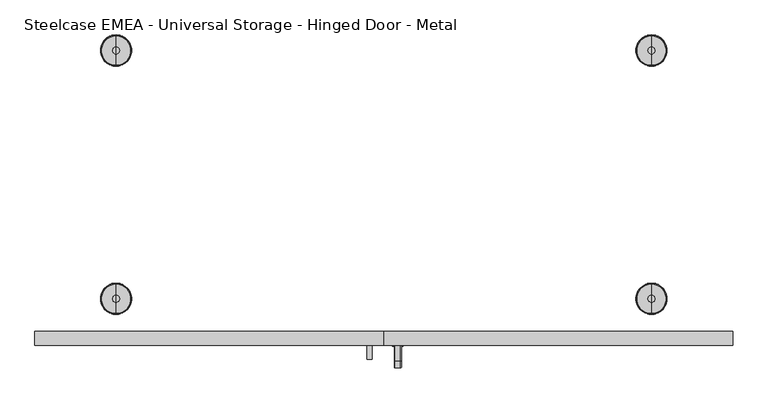
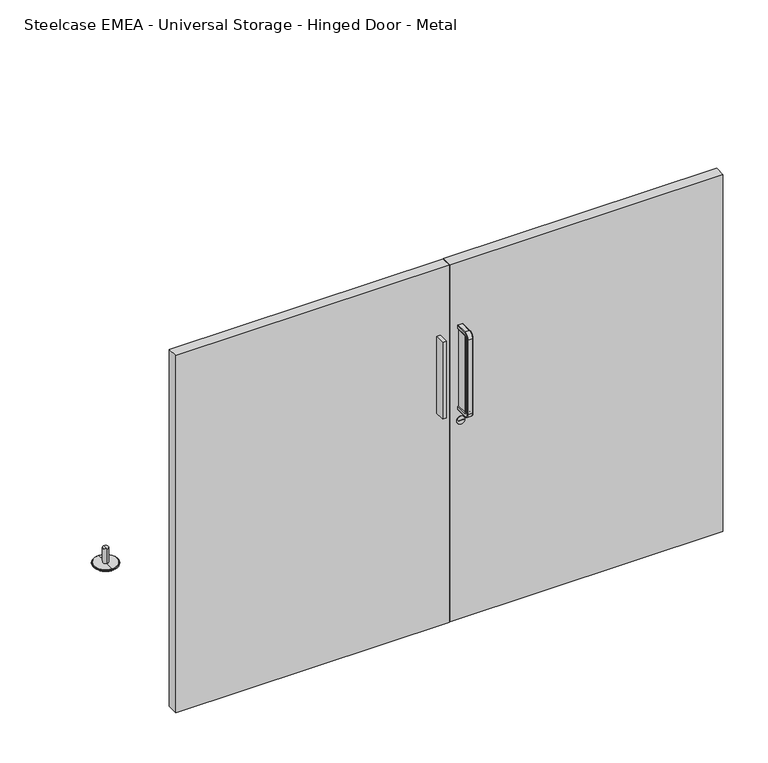
"""IFC4 building model written with IfcOpenShell, lengths in millimetres: furniture geometry, Steelcase EMEA - Universal Storage - Hinged Door - Metal."""

from ifc_helpers import new_model, si_unit, point, frame, frame_2d, origin, place, context, project, spatial, polyline, circle_curve, ellipse_curve, trimmed, segment, composite_curve, outline, extrude, source, transform, mapped, element, save
from ifc_brep_helpers import plane_surface, cylinder_surface, revolved_surface, advanced_brep


def steelcase_emea_universal_storage_hinged_door_metal_1018f40d(model_context):
    return source(origin(), model_context, "Body", "SolidModel", [
        extrude(outline(polyline([(23.7, -245.0), (23.7, -265.0318401), (16.7, -265.0318401), (16.7, -245.0), (23.7, -245.0)])), frame((0.0, 0.0, 422.8885036), z_axis=(0.0, 0.0, 1.0), x_axis=(1.0, 0.0, 0.0)), (0.0, 0.0, 1.0), 148.0614964),
        advanced_brep(
        [(17.2414116, -245.0, 570.95), (15.2414116, -245.0, 572.95), (15.2414116, -245.0, 577.9674524), (16.2412593, -245.0, 578.95), (24.1587407, -245.0, 578.95), (25.1585884, -245.0, 577.9674524), (25.1585884, -245.0, 572.95), (23.1585884, -245.0, 570.95), (23.1585884, -267.0318401, 570.95), (17.2414116, -267.0318401, 570.95), (24.1587407, -267.0318401, 578.95), (25.1585884, -267.0318401, 577.9674524), (16.2412593, -267.0318401, 578.95), (15.2414116, -267.0318401, 577.9674524), (17.2414116, -269.0318401, 568.95), (23.1585884, -269.0318401, 568.95), (25.1585884, -276.0492925, 568.95), (24.1587407, -277.0318401, 568.95), (16.2412593, -277.0318401, 568.95), (15.2414116, -276.0492925, 568.95), (23.1585884, -269.0318401, 424.8885036), (17.2414116, -269.0318401, 424.8885036), (24.1587407, -277.0318401, 424.8885036), (25.1585884, -276.0492925, 424.8885036), (16.2412593, -277.0318401, 424.8885036), (15.2414116, -276.0492925, 424.8885036), (17.2414116, -267.0318401, 422.8885036), (23.1585884, -267.0318401, 422.8885036), (25.1585884, -267.0318401, 415.8710512), (24.1587407, -267.0318401, 414.8885036), (16.2412593, -267.0318401, 414.8885036), (15.2414116, -267.0318401, 415.8710512), (17.2414116, -245.0, 422.8885036), (23.1585884, -245.0, 422.8885036), (25.1585884, -245.0, 420.8885036), (25.1585884, -245.0, 415.8710512), (24.1587407, -245.0, 414.8885036), (16.2412593, -245.0, 414.8885036), (15.2414116, -245.0, 415.8710512), (15.2414116, -245.0, 420.8885036), (25.1585884, -267.0318401, 572.95), (25.1585884, -267.0318401, 420.8885036), (25.1585884, -271.0318401, 424.8885036), (25.1585884, -271.0318401, 568.95), (15.2414116, -267.0318401, 572.95), (15.2414116, -271.0318401, 568.95), (15.2414116, -271.0318401, 424.8885036), (15.2414116, -267.0318401, 420.8885036)],
        [
            (0, 1, circle_curve(frame((17.2414116, -245.0, 572.95), z_axis=(0.0, 1.0, 0.0), x_axis=(1.0, 0.0, 0.0)), 2.0)),
            (1, 2),
            (2, 3, circle_curve(frame((16.2412593, -245.0, 577.95), z_axis=(0.0, 1.0, 0.0), x_axis=(1.0, 0.0, 0.0)), 1.0)),
            (3, 4),
            (4, 5, circle_curve(frame((24.1587407, -245.0, 577.95), z_axis=(0.0, 1.0, 0.0), x_axis=(1.0, 0.0, 0.0)), 1.0)),
            (5, 6),
            (6, 7, circle_curve(frame((23.1585884, -245.0, 572.95), z_axis=(0.0, 1.0, 0.0), x_axis=(1.0, 0.0, 0.0)), 2.0)),
            (7, 0),
            (7, 8),
            (8, 9),
            (9, 0),
            (4, 10),
            (10, 11, circle_curve(frame((24.1587407, -267.0318401, 577.95), z_axis=(0.0, 1.0, 0.0), x_axis=(1.0, 0.0, 0.0)), 1.0)),
            (11, 5),
            (3, 12),
            (12, 10),
            (2, 13),
            (13, 12, circle_curve(frame((16.2412593, -267.0318401, 577.95), z_axis=(0.0, 1.0, 0.0), x_axis=(1.0, 0.0, 0.0)), 1.0)),
            (14, 9, circle_curve(frame((17.2414116, -267.0318401, 568.95), z_axis=(-1.0, 0.0, 0.0), x_axis=(0.0, 0.0, 1.0)), 2.0)),
            (8, 15, circle_curve(frame((23.1585884, -267.0318401, 568.95), z_axis=(1.0, 0.0, 0.0), x_axis=(0.0, 0.0, 1.0)), 2.0)),
            (15, 14),
            (16, 11, circle_curve(frame((25.1585884, -267.0318401, 568.95), z_axis=(-1.0, 0.0, 0.0), x_axis=(0.0, 0.0, 1.0)), 9.0174524)),
            (10, 17, circle_curve(frame((24.1587407, -267.0318401, 568.95), z_axis=(1.0, 0.0, 0.0), x_axis=(0.0, 0.0, 1.0)), 10.0)),
            (17, 16, circle_curve(frame((24.1587407, -276.0318401, 568.95), z_axis=(0.0, 0.0, 1.0), x_axis=(1.0, 0.0, 0.0)), 1.0)),
            (12, 18, circle_curve(frame((16.2412593, -267.0318401, 568.95), z_axis=(1.0, 0.0, 0.0), x_axis=(0.0, 0.0, 1.0)), 10.0)),
            (18, 17),
            (13, 19, circle_curve(frame((15.2414116, -267.0318401, 568.95), z_axis=(1.0, 0.0, 0.0), x_axis=(0.0, 0.0, 1.0)), 9.0174524)),
            (19, 18, circle_curve(frame((16.2412593, -276.0318401, 568.95), z_axis=(0.0, 0.0, 1.0), x_axis=(1.0, 0.0, 0.0)), 1.0)),
            (15, 20),
            (20, 21),
            (21, 14),
            (17, 22),
            (22, 23, circle_curve(frame((24.1587407, -276.0318401, 424.8885036), z_axis=(0.0, 0.0, 1.0), x_axis=(1.0, 0.0, 0.0)), 1.0)),
            (23, 16),
            (18, 24),
            (24, 22),
            (19, 25),
            (25, 24, circle_curve(frame((16.2412593, -276.0318401, 424.8885036), z_axis=(0.0, 0.0, 1.0), x_axis=(1.0, 0.0, 0.0)), 1.0)),
            (26, 21, circle_curve(frame((17.2414116, -267.0318401, 424.8885036), z_axis=(-1.0, 0.0, 0.0), x_axis=(0.0, -1.0, 0.0)), 2.0)),
            (20, 27, circle_curve(frame((23.1585884, -267.0318401, 424.8885036), z_axis=(1.0, 0.0, 0.0), x_axis=(0.0, -1.0, 0.0)), 2.0)),
            (27, 26),
            (28, 23, circle_curve(frame((25.1585884, -267.0318401, 424.8885036), z_axis=(-1.0, 0.0, 0.0), x_axis=(0.0, -1.0, 0.0)), 9.0174524)),
            (22, 29, circle_curve(frame((24.1587407, -267.0318401, 424.8885036), z_axis=(1.0, 0.0, 0.0), x_axis=(0.0, -1.0, 0.0)), 10.0)),
            (29, 28, circle_curve(frame((24.1587407, -267.0318401, 415.8885036), z_axis=(0.0, -1.0, 0.0), x_axis=(1.0, 0.0, 0.0)), 1.0)),
            (24, 30, circle_curve(frame((16.2412593, -267.0318401, 424.8885036), z_axis=(1.0, 0.0, 0.0), x_axis=(0.0, -1.0, 0.0)), 10.0)),
            (30, 29),
            (25, 31, circle_curve(frame((15.2414116, -267.0318401, 424.8885036), z_axis=(1.0, 0.0, 0.0), x_axis=(0.0, -1.0, 0.0)), 9.0174524)),
            (31, 30, circle_curve(frame((16.2412593, -267.0318401, 415.8885036), z_axis=(0.0, -1.0, 0.0), x_axis=(1.0, 0.0, 0.0)), 1.0)),
            (32, 33),
            (33, 34, circle_curve(frame((23.1585884, -245.0, 420.8885036), z_axis=(0.0, 1.0, 0.0), x_axis=(1.0, 0.0, 0.0)), 2.0)),
            (34, 35),
            (35, 36, circle_curve(frame((24.1587407, -245.0, 415.8885036), z_axis=(0.0, 1.0, 0.0), x_axis=(1.0, 0.0, 0.0)), 1.0)),
            (36, 37),
            (37, 38, circle_curve(frame((16.2412593, -245.0, 415.8885036), z_axis=(0.0, 1.0, 0.0), x_axis=(1.0, 0.0, 0.0)), 1.0)),
            (38, 39),
            (39, 32, circle_curve(frame((17.2414116, -245.0, 420.8885036), z_axis=(0.0, 1.0, 0.0), x_axis=(1.0, 0.0, 0.0)), 2.0)),
            (27, 33),
            (32, 26),
            (29, 36),
            (35, 28),
            (30, 37),
            (31, 38),
            (6, 40),
            (40, 8, circle_curve(frame((23.1585884, -267.0318401, 572.95), z_axis=(0.0, 1.0, 0.0), x_axis=(1.0, 0.0, 0.0)), 2.0)),
            (34, 41),
            (41, 42, circle_curve(frame((25.1585884, -267.0318401, 424.8885036), z_axis=(-1.0, 0.0, 0.0), x_axis=(0.0, -1.0, 0.0)), 4.0)),
            (42, 43),
            (43, 40, circle_curve(frame((25.1585884, -267.0318401, 568.95), z_axis=(-1.0, 0.0, 0.0), x_axis=(0.0, 0.0, 1.0)), 4.0)),
            (1, 44),
            (44, 45, circle_curve(frame((15.2414116, -267.0318401, 568.95), z_axis=(1.0, 0.0, 0.0), x_axis=(0.0, 0.0, 1.0)), 4.0)),
            (45, 46),
            (46, 47, circle_curve(frame((15.2414116, -267.0318401, 424.8885036), z_axis=(1.0, 0.0, 0.0), x_axis=(0.0, -1.0, 0.0)), 4.0)),
            (47, 39),
            (9, 44, circle_curve(frame((17.2414116, -267.0318401, 572.95), z_axis=(0.0, 1.0, 0.0), x_axis=(1.0, 0.0, 0.0)), 2.0)),
            (43, 15, circle_curve(frame((23.1585884, -271.0318401, 568.95), z_axis=(0.0, 0.0, 1.0), x_axis=(1.0, 0.0, 0.0)), 2.0)),
            (14, 45, circle_curve(frame((17.2414116, -271.0318401, 568.95), z_axis=(0.0, 0.0, 1.0), x_axis=(1.0, 0.0, 0.0)), 2.0)),
            (42, 20, circle_curve(frame((23.1585884, -271.0318401, 424.8885036), z_axis=(0.0, 0.0, 1.0), x_axis=(1.0, 0.0, 0.0)), 2.0)),
            (21, 46, circle_curve(frame((17.2414116, -271.0318401, 424.8885036), z_axis=(0.0, 0.0, 1.0), x_axis=(1.0, 0.0, 0.0)), 2.0)),
            (41, 27, circle_curve(frame((23.1585884, -267.0318401, 420.8885036), z_axis=(0.0, -1.0, 0.0), x_axis=(1.0, 0.0, 0.0)), 2.0)),
            (26, 47, circle_curve(frame((17.2414116, -267.0318401, 420.8885036), z_axis=(0.0, -1.0, 0.0), x_axis=(1.0, 0.0, 0.0)), 2.0)),
        ],
        [
            plane_surface(frame((20.2, -245.0, 570.95), z_axis=(0.0, 1.0, 0.0), x_axis=(1.0, 0.0, 0.0))),
            plane_surface(frame((23.1585884, -245.0, 570.95), z_axis=(0.0, 0.0, -1.0), x_axis=(0.0, -1.0, 0.0))),
            cylinder_surface(frame((24.1587407, -245.0, 577.95), z_axis=(0.0, 1.0, 0.0), x_axis=(1.0, 0.0, 0.0)), 1.0),
            plane_surface(frame((16.2412593, -245.0, 578.95), z_axis=(0.0, 0.0, 1.0), x_axis=(0.0, -1.0, 0.0))),
            cylinder_surface(frame((16.2412593, -245.0, 577.95), z_axis=(0.0, 1.0, 0.0), x_axis=(1.0, 0.0, 0.0)), 1.0),
            revolved_surface(polyline([(23.1585884, -267.0318401, 570.95), (17.2414116, -267.0318401, 570.95)]), (20.2, -267.0318401, 568.95), (1.0, 0.0, 0.0)),
            revolved_surface(trimmed(ellipse_curve(frame((24.1587407, -267.0318401, 577.95), z_axis=(0.0, 1.0, 0.0), x_axis=(1.0, 0.0, 0.0)), 1.0, 1.0), [point((24.1587407, -267.0318401, 578.95))], [point((25.1585884, -267.0318401, 577.9674524))], True, "CARTESIAN"), (20.2, -267.0318401, 568.95), (1.0, 0.0, 0.0)),
            cylinder_surface(frame((20.2, -267.0318401, 568.95), z_axis=(1.0, 0.0, 0.0), x_axis=(0.0, 0.0, 1.0)), 10.0),
            revolved_surface(trimmed(ellipse_curve(frame((16.2412593, -267.0318401, 577.95), z_axis=(0.0, 1.0, 0.0), x_axis=(1.0, 0.0, 0.0)), 1.0, 1.0), [point((15.2414116, -267.0318401, 577.9674524))], [point((16.2412593, -267.0318401, 578.95))], True, "CARTESIAN"), (20.2, -267.0318401, 568.95), (1.0, 0.0, 0.0)),
            plane_surface(frame((23.1585884, -269.0318401, 568.95), z_axis=(0.0, 1.0, 0.0), x_axis=(0.0, 0.0, -1.0))),
            cylinder_surface(frame((24.1587407, -276.0318401, 568.95), z_axis=(0.0, 0.0, 1.0), x_axis=(1.0, 0.0, 0.0)), 1.0),
            plane_surface(frame((16.2412593, -277.0318401, 568.95), z_axis=(0.0, -1.0, 0.0), x_axis=(0.0, 0.0, -1.0))),
            cylinder_surface(frame((16.2412593, -276.0318401, 568.95), z_axis=(0.0, 0.0, 1.0), x_axis=(1.0, 0.0, 0.0)), 1.0),
            revolved_surface(polyline([(23.1585884, -269.0318401, 424.8885036), (17.2414116, -269.0318401, 424.8885036)]), (20.2, -267.0318401, 424.8885036), (1.0, 0.0, 0.0)),
            revolved_surface(trimmed(ellipse_curve(frame((24.1587407, -276.0318401, 424.8885036), z_axis=(0.0, 0.0, 1.0), x_axis=(1.0, 0.0, 0.0)), 1.0, 1.0), [point((24.1587407, -277.0318401, 424.8885036))], [point((25.1585884, -276.0492925, 424.8885036))], True, "CARTESIAN"), (20.2, -267.0318401, 424.8885036), (1.0, 0.0, 0.0)),
            cylinder_surface(frame((20.2, -267.0318401, 424.8885036), z_axis=(1.0, 0.0, 0.0), x_axis=(0.0, -1.0, 0.0)), 10.0),
            revolved_surface(trimmed(ellipse_curve(frame((16.2412593, -276.0318401, 424.8885036), z_axis=(0.0, 0.0, 1.0), x_axis=(1.0, 0.0, 0.0)), 1.0, 1.0), [point((15.2414116, -276.0492925, 424.8885036))], [point((16.2412593, -277.0318401, 424.8885036))], True, "CARTESIAN"), (20.2, -267.0318401, 424.8885036), (1.0, 0.0, 0.0)),
            plane_surface(frame((20.2, -245.0, 422.8885036), z_axis=(0.0, 1.0, 0.0), x_axis=(1.0, 0.0, 0.0))),
            plane_surface(frame((23.1585884, -267.0318401, 422.8885036), z_axis=(0.0, 0.0, 1.0), x_axis=(0.0, 1.0, 0.0))),
            cylinder_surface(frame((24.1587407, -267.0318401, 415.8885036), z_axis=(0.0, -1.0, 0.0), x_axis=(1.0, 0.0, 0.0)), 1.0),
            plane_surface(frame((16.2412593, -267.0318401, 414.8885036), z_axis=(0.0, 0.0, -1.0), x_axis=(0.0, 1.0, 0.0))),
            cylinder_surface(frame((16.2412593, -267.0318401, 415.8885036), z_axis=(0.0, -1.0, 0.0), x_axis=(1.0, 0.0, 0.0)), 1.0),
            cylinder_surface(frame((23.1585884, -245.0, 572.95), z_axis=(0.0, 1.0, 0.0), x_axis=(1.0, 0.0, 0.0)), 2.0),
            plane_surface(frame((25.1585884, -245.0, 577.9674524), z_axis=(1.0, 0.0, 0.0), x_axis=(0.0, -1.0, 0.0))),
            plane_surface(frame((15.2414116, -245.0, 572.95), z_axis=(-1.0, 0.0, 0.0), x_axis=(0.0, -1.0, 0.0))),
            cylinder_surface(frame((17.2414116, -245.0, 572.95), z_axis=(0.0, 1.0, 0.0), x_axis=(1.0, 0.0, 0.0)), 2.0),
            revolved_surface(trimmed(ellipse_curve(frame((23.1585884, -267.0318401, 572.95), z_axis=(0.0, 1.0, 0.0), x_axis=(1.0, 0.0, 0.0)), 2.0, 2.0), [point((25.1585884, -267.0318401, 572.95))], [point((23.1585884, -267.0318401, 570.95))], True, "CARTESIAN"), (20.2, -267.0318401, 568.95), (1.0, 0.0, 0.0)),
            revolved_surface(trimmed(ellipse_curve(frame((17.2414116, -267.0318401, 572.95), z_axis=(0.0, 1.0, 0.0), x_axis=(1.0, 0.0, 0.0)), 2.0, 2.0), [point((17.2414116, -267.0318401, 570.95))], [point((15.2414116, -267.0318401, 572.95))], True, "CARTESIAN"), (20.2, -267.0318401, 568.95), (1.0, 0.0, 0.0)),
            cylinder_surface(frame((23.1585884, -271.0318401, 568.95), z_axis=(0.0, 0.0, 1.0), x_axis=(1.0, 0.0, 0.0)), 2.0),
            cylinder_surface(frame((17.2414116, -271.0318401, 568.95), z_axis=(0.0, 0.0, 1.0), x_axis=(1.0, 0.0, 0.0)), 2.0),
            revolved_surface(trimmed(ellipse_curve(frame((23.1585884, -271.0318401, 424.8885036), z_axis=(0.0, 0.0, 1.0), x_axis=(1.0, 0.0, 0.0)), 2.0, 2.0), [point((25.1585884, -271.0318401, 424.8885036))], [point((23.1585884, -269.0318401, 424.8885036))], True, "CARTESIAN"), (20.2, -267.0318401, 424.8885036), (1.0, 0.0, 0.0)),
            revolved_surface(trimmed(ellipse_curve(frame((17.2414116, -271.0318401, 424.8885036), z_axis=(0.0, 0.0, 1.0), x_axis=(1.0, 0.0, 0.0)), 2.0, 2.0), [point((17.2414116, -269.0318401, 424.8885036))], [point((15.2414116, -271.0318401, 424.8885036))], True, "CARTESIAN"), (20.2, -267.0318401, 424.8885036), (1.0, 0.0, 0.0)),
            cylinder_surface(frame((23.1585884, -267.0318401, 420.8885036), z_axis=(0.0, -1.0, 0.0), x_axis=(1.0, 0.0, 0.0)), 2.0),
            cylinder_surface(frame((17.2414116, -267.0318401, 420.8885036), z_axis=(0.0, -1.0, 0.0), x_axis=(1.0, 0.0, 0.0)), 2.0),
        ],
        [
            (0, [[1, 2, 3, 4, 5, 6, 7, 8]]),
            (1, [[-8, 9, 10, 11]]),
            (2, [[-5, 12, 13, 14]]),
            (3, [[-4, 15, 16, -12]]),
            (4, [[-3, 17, 18, -15]]),
            (5, [[19, -10, 20, 21]]),
            (6, [[22, -13, 23, 24]]),
            (7, [[-23, -16, 25, 26]]),
            (8, [[-25, -18, 27, 28]]),
            (9, [[-21, 29, 30, 31]]),
            (10, [[-24, 32, 33, 34]]),
            (11, [[-26, 35, 36, -32]]),
            (12, [[-28, 37, 38, -35]]),
            (13, [[39, -30, 40, 41]]),
            (14, [[42, -33, 43, 44]]),
            (15, [[-43, -36, 45, 46]]),
            (16, [[-45, -38, 47, 48]]),
            (17, [[49, 50, 51, 52, 53, 54, 55, 56]]),
            (18, [[-41, 57, -49, 58]]),
            (19, [[-44, 59, -52, 60]]),
            (20, [[-46, 61, -53, -59]]),
            (21, [[-48, 62, -54, -61]]),
            (22, [[-7, 63, 64, -9]]),
            (23, [[-6, -14, -22, -34, -42, -60, -51, 65, 66, 67, 68, -63]]),
            (24, [[-2, 69, 70, 71, 72, 73, -55, -62, -47, -37, -27, -17]]),
            (25, [[-1, -11, 74, -69]]),
            (26, [[-20, -64, -68, 75]]),
            (27, [[-70, -74, -19, 76]]),
            (28, [[-75, -67, 77, -29]]),
            (29, [[-76, -31, 78, -71]]),
            (30, [[-40, -77, -66, 79]]),
            (31, [[-72, -78, -39, 80]]),
            (32, [[-79, -65, -50, -57]]),
            (33, [[-80, -58, -56, -73]]),
        ],
    ),
        extrude(outline(polyline([(-0.5, -245.0), (-500.0, -245.0), (-500.0, -225.0), (-0.5, -225.0), (-0.5, -245.0)])), frame((0.0, 0.0, 10.0), z_axis=(0.0, 0.0, 1.0), x_axis=(1.0, 0.0, 0.0)), (0.0, 0.0, 1.0), 690.0),
        extrude(outline(polyline([(500.0, -245.0), (0.5, -245.0), (0.5, -225.0), (500.0, -225.0), (500.0, -245.0)])), frame((0.0, 0.0, 10.0), z_axis=(0.0, 0.0, 1.0), x_axis=(1.0, 0.0, 0.0)), (0.0, 0.0, 1.0), 690.0),
        extrude(outline(composite_curve([segment(trimmed(circle_curve(frame_2d((394.3885036, 20.2)), 7.5), [point((394.3885036, 12.7))], [point((394.3885036, 27.7))], False, "CARTESIAN"), True, "CONTINUOUS"), segment(trimmed(circle_curve(frame_2d((394.3885036, 20.2)), 7.5), [point((394.3885036, 27.7))], [point((394.3885036, 12.7))], False, "CARTESIAN"), True, "CONTINUOUS")], self_intersect=False), holes=[polyline([(393.9885036, 15.1664282), (394.7885036, 15.1664282), (394.7885036, 25.2335718), (393.9885036, 25.2335718), (393.9885036, 15.1664282)])]), frame((0.0, -246.5, 0.0), z_axis=(0.0, 1.0, 0.0), x_axis=(0.0, 0.0, 1.0)), (0.0, 0.0, 1.0), 1.5),
        advanced_brep(
        [(383.7470237, -177.9975958, 32.5397656), (383.7470237, -172.9975958, 32.5397656), (383.7470237, -182.9975958, 32.5397656), (383.7470237, -196.9727531, 0.0), (383.7470237, -159.0224385, 0.0), (383.7470237, -177.9975958, 0.0), (383.7470237, -198.74052, 0.732233), (383.7470237, -157.2546716, 0.732233), (383.7470237, -200.2351744, 2.2268875), (383.7470237, -155.7600172, 2.2268875), (383.7470237, -200.2351744, 2.9339942), (383.7470237, -155.7600172, 2.9339942), (383.7470237, -199.1691687, 4.0), (383.7470237, -156.8260229, 4.0), (383.7470237, -182.9975958, 4.0), (383.7470237, -172.9975958, 4.0)],
        [
            (0, 1),
            (1, 2, circle_curve(frame((383.7470237, -177.9975958, 32.5397656), z_axis=(0.0, 0.0, 1.0), x_axis=(0.0, 1.0, 0.0)), 5.0)),
            (2, 0),
            (2, 1, circle_curve(frame((383.7470237, -177.9975958, 32.5397656), z_axis=(0.0, 0.0, 1.0), x_axis=(0.0, 1.0, 0.0)), 5.0)),
            (3, 4, circle_curve(frame((383.7470237, -177.9975958, 0.0), z_axis=(0.0, 0.0, -1.0), x_axis=(0.0, 1.0, 0.0)), 18.9751573)),
            (4, 5),
            (5, 3),
            (4, 3, circle_curve(frame((383.7470237, -177.9975958, 0.0), z_axis=(0.0, 0.0, -1.0), x_axis=(0.0, 1.0, 0.0)), 18.9751573)),
            (6, 7, circle_curve(frame((383.7470237, -177.9975958, 0.732233), z_axis=(0.0, 0.0, -1.0), x_axis=(0.0, 1.0, 0.0)), 20.7429242)),
            (7, 4, circle_curve(frame((383.7470237, -159.0224385, 2.5), z_axis=(-1.0, 0.0, 0.0), x_axis=(0.0, -1.0, 0.0)), 2.5)),
            (3, 6, circle_curve(frame((383.7470237, -196.9727531, 2.5), z_axis=(-1.0, 0.0, 0.0), x_axis=(0.0, 1.0, 0.0)), 2.5)),
            (7, 6, circle_curve(frame((383.7470237, -177.9975958, 0.732233), z_axis=(0.0, 0.0, -1.0), x_axis=(0.0, 1.0, 0.0)), 20.7429242)),
            (8, 9, circle_curve(frame((383.7470237, -177.9975958, 2.2268875), z_axis=(0.0, 0.0, -1.0), x_axis=(0.0, 1.0, 0.0)), 22.2375786)),
            (9, 7),
            (6, 8),
            (9, 8, circle_curve(frame((383.7470237, -177.9975958, 2.2268875), z_axis=(0.0, 0.0, -1.0), x_axis=(0.0, 1.0, 0.0)), 22.2375786)),
            (10, 11, circle_curve(frame((383.7470237, -177.9975958, 2.9339942), z_axis=(0.0, 0.0, -1.0), x_axis=(0.0, 1.0, 0.0)), 22.2375786)),
            (11, 9, circle_curve(frame((383.7470237, -156.1135706, 2.5804409), z_axis=(-1.0, 0.0, 0.0), x_axis=(0.0, -1.0, 0.0)), 0.5)),
            (8, 10, circle_curve(frame((383.7470237, -199.881621, 2.5804409), z_axis=(-1.0, 0.0, 0.0), x_axis=(0.0, 1.0, 0.0)), 0.5)),
            (11, 10, circle_curve(frame((383.7470237, -177.9975958, 2.9339942), z_axis=(0.0, 0.0, -1.0), x_axis=(0.0, 1.0, 0.0)), 22.2375786)),
            (12, 13, circle_curve(frame((383.7470237, -177.9975958, 4.0), z_axis=(0.0, 0.0, -1.0), x_axis=(0.0, 1.0, 0.0)), 21.1715729)),
            (13, 11),
            (10, 12),
            (13, 12, circle_curve(frame((383.7470237, -177.9975958, 4.0), z_axis=(0.0, 0.0, -1.0), x_axis=(0.0, 1.0, 0.0)), 21.1715729)),
            (14, 15, circle_curve(frame((383.7470237, -177.9975958, 4.0), z_axis=(0.0, 0.0, -1.0), x_axis=(0.0, 1.0, 0.0)), 5.0)),
            (15, 13),
            (12, 14),
            (15, 14, circle_curve(frame((383.7470237, -177.9975958, 4.0), z_axis=(0.0, 0.0, -1.0), x_axis=(0.0, 1.0, 0.0)), 5.0)),
            (1, 15),
            (14, 2),
        ],
        [
            plane_surface(frame((383.7470237, -177.9975958, 32.5397656), z_axis=(0.0, 0.0, 1.0), x_axis=(0.0, 1.0, 0.0))),
            plane_surface(frame((383.7470237, -177.9975958, 0.0), z_axis=(0.0, 0.0, -1.0), x_axis=(0.0, 1.0, 0.0))),
            revolved_surface(trimmed(ellipse_curve(frame((383.7470237, -159.0224385, 2.5), z_axis=(1.0, 0.0, 0.0), x_axis=(0.0, -1.0, 0.0)), 2.5, 2.5), [point((383.7470237, -159.0224385, 0.0))], [point((383.7470237, -157.2546716, 0.732233))], True, "CARTESIAN"), (383.7470237, -177.9975958, 32.5397656), (0.0, 0.0, 1.0)),
            revolved_surface(polyline([(383.7470237, -157.2546716, 0.732233), (383.7470237, -155.7600172, 2.2268875)]), (383.7470237, -177.9975958, 32.5397656), (0.0, 0.0, 1.0)),
            revolved_surface(trimmed(ellipse_curve(frame((383.7470237, -156.1135706, 2.5804409), z_axis=(1.0, 0.0, 0.0), x_axis=(0.0, -1.0, 0.0)), 0.5, 0.5), [point((383.7470237, -155.7600172, 2.2268875))], [point((383.7470237, -155.7600172, 2.9339942))], True, "CARTESIAN"), (383.7470237, -177.9975958, 32.5397656), (0.0, 0.0, 1.0)),
            revolved_surface(polyline([(383.7470237, -155.7600172, 2.9339942), (383.7470237, -156.8260229, 4.0)]), (383.7470237, -177.9975958, 32.5397656), (0.0, 0.0, 1.0)),
            plane_surface(frame((383.7470237, -177.9975958, 4.0), z_axis=(0.0, 0.0, 1.0), x_axis=(0.0, 1.0, 0.0))),
            cylinder_surface(frame((383.7470237, -177.9975958, 32.5397656), z_axis=(0.0, 0.0, 1.0), x_axis=(0.0, 1.0, 0.0)), 5.0),
        ],
        [
            (0, [[1, 2, 3]]),
            (0, [[-3, 4, -1]]),
            (1, [[5, 6, 7]]),
            (1, [[8, -7, -6]]),
            (2, [[9, 10, -5, 11]]),
            (2, [[12, -11, -8, -10]]),
            (3, [[13, 14, -9, 15]]),
            (3, [[16, -15, -12, -14]]),
            (4, [[17, 18, -13, 19]]),
            (4, [[20, -19, -16, -18]]),
            (5, [[21, 22, -17, 23]]),
            (5, [[24, -23, -20, -22]]),
            (6, [[25, 26, -21, 27]]),
            (6, [[28, -27, -24, -26]]),
            (7, [[-2, 29, -25, 30]]),
            (7, [[-4, -30, -28, -29]]),
        ],
    ),
        advanced_brep(
        [(383.7470237, 182.9975958, 32.5397656), (383.7470237, 172.9975958, 32.5397656), (383.7470237, 177.9975958, 32.5397656), (383.7470237, 177.9975958, 0.0), (383.7470237, 159.0224385, 0.0), (383.7470237, 196.9727531, 0.0), (383.7470237, 157.2546716, 0.732233), (383.7470237, 198.74052, 0.732233), (383.7470237, 155.7600172, 2.2268875), (383.7470237, 200.2351744, 2.2268875), (383.7470237, 155.7600172, 2.9339942), (383.7470237, 200.2351744, 2.9339942), (383.7470237, 156.8260229, 4.0), (383.7470237, 199.1691687, 4.0), (383.7470237, 172.9975958, 4.0), (383.7470237, 182.9975958, 4.0)],
        [
            (0, 1, circle_curve(frame((383.7470237, 177.9975958, 32.5397656), z_axis=(0.0, 0.0, 1.0), x_axis=(0.0, -1.0, 0.0)), 5.0)),
            (1, 2),
            (2, 0),
            (1, 0, circle_curve(frame((383.7470237, 177.9975958, 32.5397656), z_axis=(0.0, 0.0, 1.0), x_axis=(0.0, -1.0, 0.0)), 5.0)),
            (3, 4),
            (4, 5, circle_curve(frame((383.7470237, 177.9975958, 0.0), z_axis=(0.0, 0.0, -1.0), x_axis=(0.0, -1.0, 0.0)), 18.9751573)),
            (5, 3),
            (5, 4, circle_curve(frame((383.7470237, 177.9975958, 0.0), z_axis=(0.0, 0.0, -1.0), x_axis=(0.0, -1.0, 0.0)), 18.9751573)),
            (4, 6, circle_curve(frame((383.7470237, 159.0224385, 2.5), z_axis=(-1.0, 0.0, 0.0), x_axis=(0.0, -1.0, 0.0)), 2.5)),
            (6, 7, circle_curve(frame((383.7470237, 177.9975958, 0.732233), z_axis=(0.0, 0.0, -1.0), x_axis=(0.0, -1.0, 0.0)), 20.7429242)),
            (7, 5, circle_curve(frame((383.7470237, 196.9727531, 2.5), z_axis=(-1.0, 0.0, 0.0), x_axis=(0.0, 1.0, 0.0)), 2.5)),
            (7, 6, circle_curve(frame((383.7470237, 177.9975958, 0.732233), z_axis=(0.0, 0.0, -1.0), x_axis=(0.0, -1.0, 0.0)), 20.7429242)),
            (6, 8),
            (8, 9, circle_curve(frame((383.7470237, 177.9975958, 2.2268875), z_axis=(0.0, 0.0, -1.0), x_axis=(0.0, -1.0, 0.0)), 22.2375786)),
            (9, 7),
            (9, 8, circle_curve(frame((383.7470237, 177.9975958, 2.2268875), z_axis=(0.0, 0.0, -1.0), x_axis=(0.0, -1.0, 0.0)), 22.2375786)),
            (8, 10, circle_curve(frame((383.7470237, 156.1135706, 2.5804409), z_axis=(-1.0, 0.0, 0.0), x_axis=(0.0, -1.0, 0.0)), 0.5)),
            (10, 11, circle_curve(frame((383.7470237, 177.9975958, 2.9339942), z_axis=(0.0, 0.0, -1.0), x_axis=(0.0, -1.0, 0.0)), 22.2375786)),
            (11, 9, circle_curve(frame((383.7470237, 199.881621, 2.5804409), z_axis=(-1.0, 0.0, 0.0), x_axis=(0.0, 1.0, 0.0)), 0.5)),
            (11, 10, circle_curve(frame((383.7470237, 177.9975958, 2.9339942), z_axis=(0.0, 0.0, -1.0), x_axis=(0.0, -1.0, 0.0)), 22.2375786)),
            (10, 12),
            (12, 13, circle_curve(frame((383.7470237, 177.9975958, 4.0), z_axis=(0.0, 0.0, -1.0), x_axis=(0.0, -1.0, 0.0)), 21.1715729)),
            (13, 11),
            (13, 12, circle_curve(frame((383.7470237, 177.9975958, 4.0), z_axis=(0.0, 0.0, -1.0), x_axis=(0.0, -1.0, 0.0)), 21.1715729)),
            (12, 14),
            (14, 15, circle_curve(frame((383.7470237, 177.9975958, 4.0), z_axis=(0.0, 0.0, -1.0), x_axis=(0.0, -1.0, 0.0)), 5.0)),
            (15, 13),
            (15, 14, circle_curve(frame((383.7470237, 177.9975958, 4.0), z_axis=(0.0, 0.0, -1.0), x_axis=(0.0, -1.0, 0.0)), 5.0)),
            (14, 1),
            (0, 15),
        ],
        [
            plane_surface(frame((383.7470237, 177.9975958, 32.5397656), z_axis=(0.0, 0.0, 1.0), x_axis=(0.0, -1.0, 0.0))),
            plane_surface(frame((383.7470237, 177.9975958, 0.0), z_axis=(0.0, 0.0, -1.0), x_axis=(0.0, -1.0, 0.0))),
            revolved_surface(trimmed(ellipse_curve(frame((383.7470237, 159.0224385, 2.5), z_axis=(1.0, 0.0, 0.0), x_axis=(0.0, -1.0, 0.0)), 2.5, 2.5), [point((383.7470237, 157.2546716, 0.732233))], [point((383.7470237, 159.0224385, 0.0))], True, "CARTESIAN"), (383.7470237, 177.9975958, 32.5397656), (0.0, 0.0, -1.0)),
            revolved_surface(polyline([(383.7470237, 155.7600172, 2.2268875), (383.7470237, 157.2546716, 0.732233)]), (383.7470237, 177.9975958, 32.5397656), (0.0, 0.0, -1.0)),
            revolved_surface(trimmed(ellipse_curve(frame((383.7470237, 156.1135706, 2.5804409), z_axis=(1.0, 0.0, 0.0), x_axis=(0.0, -1.0, 0.0)), 0.5, 0.5), [point((383.7470237, 155.7600172, 2.9339942))], [point((383.7470237, 155.7600172, 2.2268875))], True, "CARTESIAN"), (383.7470237, 177.9975958, 32.5397656), (0.0, 0.0, -1.0)),
            revolved_surface(polyline([(383.7470237, 156.8260229, 4.0), (383.7470237, 155.7600172, 2.9339942)]), (383.7470237, 177.9975958, 32.5397656), (0.0, 0.0, -1.0)),
            plane_surface(frame((383.7470237, 177.9975958, 4.0), z_axis=(0.0, 0.0, 1.0), x_axis=(0.0, -1.0, 0.0))),
            cylinder_surface(frame((383.7470237, 177.9975958, 32.5397656), z_axis=(0.0, 0.0, -1.0), x_axis=(0.0, -1.0, 0.0)), 5.0),
        ],
        [
            (0, [[1, 2, 3]]),
            (0, [[4, -3, -2]]),
            (1, [[5, 6, 7]]),
            (1, [[-7, 8, -5]]),
            (2, [[-6, 9, 10, 11]]),
            (2, [[-8, -11, 12, -9]]),
            (3, [[-10, 13, 14, 15]]),
            (3, [[-12, -15, 16, -13]]),
            (4, [[-14, 17, 18, 19]]),
            (4, [[-16, -19, 20, -17]]),
            (5, [[-18, 21, 22, 23]]),
            (5, [[-20, -23, 24, -21]]),
            (6, [[-22, 25, 26, 27]]),
            (6, [[-24, -27, 28, -25]]),
            (7, [[-26, 29, -1, 30]]),
            (7, [[-28, -30, -4, -29]]),
        ],
    ),
        advanced_brep(
        [(-383.7470237, -182.9975958, 32.5397656), (-383.7470237, -172.9975958, 32.5397656), (-383.7470237, -177.9975958, 32.5397656), (-383.7470237, -177.9975958, 0.0), (-383.7470237, -159.0224385, 0.0), (-383.7470237, -196.9727531, 0.0), (-383.7470237, -157.2546716, 0.732233), (-383.7470237, -198.74052, 0.732233), (-383.7470237, -155.7600172, 2.2268875), (-383.7470237, -200.2351744, 2.2268875), (-383.7470237, -155.7600172, 2.9339942), (-383.7470237, -200.2351744, 2.9339942), (-383.7470237, -156.8260229, 4.0), (-383.7470237, -199.1691687, 4.0), (-383.7470237, -172.9975958, 4.0), (-383.7470237, -182.9975958, 4.0)],
        [
            (0, 1, circle_curve(frame((-383.7470237, -177.9975958, 32.5397656), z_axis=(0.0, 0.0, 1.0), x_axis=(0.0, 1.0, 0.0)), 5.0)),
            (1, 2),
            (2, 0),
            (1, 0, circle_curve(frame((-383.7470237, -177.9975958, 32.5397656), z_axis=(0.0, 0.0, 1.0), x_axis=(0.0, 1.0, 0.0)), 5.0)),
            (3, 4),
            (4, 5, circle_curve(frame((-383.7470237, -177.9975958, 0.0), z_axis=(0.0, 0.0, -1.0), x_axis=(0.0, 1.0, 0.0)), 18.9751573)),
            (5, 3),
            (5, 4, circle_curve(frame((-383.7470237, -177.9975958, 0.0), z_axis=(0.0, 0.0, -1.0), x_axis=(0.0, 1.0, 0.0)), 18.9751573)),
            (4, 6, circle_curve(frame((-383.7470237, -159.0224385, 2.5), z_axis=(1.0, 0.0, 0.0), x_axis=(0.0, 1.0, 0.0)), 2.5)),
            (6, 7, circle_curve(frame((-383.7470237, -177.9975958, 0.732233), z_axis=(0.0, 0.0, -1.0), x_axis=(0.0, 1.0, 0.0)), 20.7429242)),
            (7, 5, circle_curve(frame((-383.7470237, -196.9727531, 2.5), z_axis=(1.0, 0.0, 0.0), x_axis=(0.0, -1.0, 0.0)), 2.5)),
            (7, 6, circle_curve(frame((-383.7470237, -177.9975958, 0.732233), z_axis=(0.0, 0.0, -1.0), x_axis=(0.0, 1.0, 0.0)), 20.7429242)),
            (6, 8),
            (8, 9, circle_curve(frame((-383.7470237, -177.9975958, 2.2268875), z_axis=(0.0, 0.0, -1.0), x_axis=(0.0, 1.0, 0.0)), 22.2375786)),
            (9, 7),
            (9, 8, circle_curve(frame((-383.7470237, -177.9975958, 2.2268875), z_axis=(0.0, 0.0, -1.0), x_axis=(0.0, 1.0, 0.0)), 22.2375786)),
            (8, 10, circle_curve(frame((-383.7470237, -156.1135706, 2.5804409), z_axis=(1.0, 0.0, 0.0), x_axis=(0.0, 1.0, 0.0)), 0.5)),
            (10, 11, circle_curve(frame((-383.7470237, -177.9975958, 2.9339942), z_axis=(0.0, 0.0, -1.0), x_axis=(0.0, 1.0, 0.0)), 22.2375786)),
            (11, 9, circle_curve(frame((-383.7470237, -199.881621, 2.5804409), z_axis=(1.0, 0.0, 0.0), x_axis=(0.0, -1.0, 0.0)), 0.5)),
            (11, 10, circle_curve(frame((-383.7470237, -177.9975958, 2.9339942), z_axis=(0.0, 0.0, -1.0), x_axis=(0.0, 1.0, 0.0)), 22.2375786)),
            (10, 12),
            (12, 13, circle_curve(frame((-383.7470237, -177.9975958, 4.0), z_axis=(0.0, 0.0, -1.0), x_axis=(0.0, 1.0, 0.0)), 21.1715729)),
            (13, 11),
            (13, 12, circle_curve(frame((-383.7470237, -177.9975958, 4.0), z_axis=(0.0, 0.0, -1.0), x_axis=(0.0, 1.0, 0.0)), 21.1715729)),
            (12, 14),
            (14, 15, circle_curve(frame((-383.7470237, -177.9975958, 4.0), z_axis=(0.0, 0.0, -1.0), x_axis=(0.0, 1.0, 0.0)), 5.0)),
            (15, 13),
            (15, 14, circle_curve(frame((-383.7470237, -177.9975958, 4.0), z_axis=(0.0, 0.0, -1.0), x_axis=(0.0, 1.0, 0.0)), 5.0)),
            (14, 1),
            (0, 15),
        ],
        [
            plane_surface(frame((-383.7470237, -177.9975958, 32.5397656), z_axis=(0.0, 0.0, 1.0), x_axis=(0.0, 1.0, 0.0))),
            plane_surface(frame((-383.7470237, -177.9975958, 0.0), z_axis=(0.0, 0.0, -1.0), x_axis=(0.0, 1.0, 0.0))),
            revolved_surface(trimmed(ellipse_curve(frame((-383.7470237, -159.0224385, 2.5), z_axis=(-1.0, 0.0, 0.0), x_axis=(0.0, 1.0, 0.0)), 2.5, 2.5), [point((-383.7470237, -157.2546716, 0.732233))], [point((-383.7470237, -159.0224385, 0.0))], True, "CARTESIAN"), (-383.7470237, -177.9975958, 32.5397656), (0.0, 0.0, -1.0)),
            revolved_surface(polyline([(-383.7470237, -155.7600172, 2.2268875), (-383.7470237, -157.2546716, 0.732233)]), (-383.7470237, -177.9975958, 32.5397656), (0.0, 0.0, -1.0)),
            revolved_surface(trimmed(ellipse_curve(frame((-383.7470237, -156.1135706, 2.5804409), z_axis=(-1.0, 0.0, 0.0), x_axis=(0.0, 1.0, 0.0)), 0.5, 0.5), [point((-383.7470237, -155.7600172, 2.9339942))], [point((-383.7470237, -155.7600172, 2.2268875))], True, "CARTESIAN"), (-383.7470237, -177.9975958, 32.5397656), (0.0, 0.0, -1.0)),
            revolved_surface(polyline([(-383.7470237, -156.8260229, 4.0), (-383.7470237, -155.7600172, 2.9339942)]), (-383.7470237, -177.9975958, 32.5397656), (0.0, 0.0, -1.0)),
            plane_surface(frame((-383.7470237, -177.9975958, 4.0), z_axis=(0.0, 0.0, 1.0), x_axis=(0.0, 1.0, 0.0))),
            cylinder_surface(frame((-383.7470237, -177.9975958, 32.5397656), z_axis=(0.0, 0.0, -1.0), x_axis=(0.0, 1.0, 0.0)), 5.0),
        ],
        [
            (0, [[1, 2, 3]]),
            (0, [[4, -3, -2]]),
            (1, [[5, 6, 7]]),
            (1, [[-7, 8, -5]]),
            (2, [[-6, 9, 10, 11]]),
            (2, [[-8, -11, 12, -9]]),
            (3, [[-10, 13, 14, 15]]),
            (3, [[-12, -15, 16, -13]]),
            (4, [[-14, 17, 18, 19]]),
            (4, [[-16, -19, 20, -17]]),
            (5, [[-18, 21, 22, 23]]),
            (5, [[-20, -23, 24, -21]]),
            (6, [[-22, 25, 26, 27]]),
            (6, [[-24, -27, 28, -25]]),
            (7, [[-26, 29, -1, 30]]),
            (7, [[-28, -30, -4, -29]]),
        ],
    ),
        advanced_brep(
        [(-383.7470237, 177.9975958, 32.5397656), (-383.7470237, 172.9975958, 32.5397656), (-383.7470237, 182.9975958, 32.5397656), (-383.7470237, 196.9727531, 0.0), (-383.7470237, 159.0224385, 0.0), (-383.7470237, 177.9975958, 0.0), (-383.7470237, 198.74052, 0.732233), (-383.7470237, 157.2546716, 0.732233), (-383.7470237, 200.2351744, 2.2268875), (-383.7470237, 155.7600172, 2.2268875), (-383.7470237, 200.2351744, 2.9339942), (-383.7470237, 155.7600172, 2.9339942), (-383.7470237, 199.1691687, 4.0), (-383.7470237, 156.8260229, 4.0), (-383.7470237, 182.9975958, 4.0), (-383.7470237, 172.9975958, 4.0)],
        [
            (0, 1),
            (1, 2, circle_curve(frame((-383.7470237, 177.9975958, 32.5397656), z_axis=(0.0, 0.0, 1.0), x_axis=(0.0, -1.0, 0.0)), 5.0)),
            (2, 0),
            (2, 1, circle_curve(frame((-383.7470237, 177.9975958, 32.5397656), z_axis=(0.0, 0.0, 1.0), x_axis=(0.0, -1.0, 0.0)), 5.0)),
            (3, 4, circle_curve(frame((-383.7470237, 177.9975958, 0.0), z_axis=(0.0, 0.0, -1.0), x_axis=(0.0, -1.0, 0.0)), 18.9751573)),
            (4, 5),
            (5, 3),
            (4, 3, circle_curve(frame((-383.7470237, 177.9975958, 0.0), z_axis=(0.0, 0.0, -1.0), x_axis=(0.0, -1.0, 0.0)), 18.9751573)),
            (6, 7, circle_curve(frame((-383.7470237, 177.9975958, 0.732233), z_axis=(0.0, 0.0, -1.0), x_axis=(0.0, -1.0, 0.0)), 20.7429242)),
            (7, 4, circle_curve(frame((-383.7470237, 159.0224385, 2.5), z_axis=(1.0, 0.0, 0.0), x_axis=(0.0, -1.0, 0.0)), 2.5)),
            (3, 6, circle_curve(frame((-383.7470237, 196.9727531, 2.5), z_axis=(1.0, 0.0, 0.0), x_axis=(0.0, 1.0, 0.0)), 2.5)),
            (7, 6, circle_curve(frame((-383.7470237, 177.9975958, 0.732233), z_axis=(0.0, 0.0, -1.0), x_axis=(0.0, -1.0, 0.0)), 20.7429242)),
            (8, 9, circle_curve(frame((-383.7470237, 177.9975958, 2.2268875), z_axis=(0.0, 0.0, -1.0), x_axis=(0.0, -1.0, 0.0)), 22.2375786)),
            (9, 7),
            (6, 8),
            (9, 8, circle_curve(frame((-383.7470237, 177.9975958, 2.2268875), z_axis=(0.0, 0.0, -1.0), x_axis=(0.0, -1.0, 0.0)), 22.2375786)),
            (10, 11, circle_curve(frame((-383.7470237, 177.9975958, 2.9339942), z_axis=(0.0, 0.0, -1.0), x_axis=(0.0, -1.0, 0.0)), 22.2375786)),
            (11, 9, circle_curve(frame((-383.7470237, 156.1135706, 2.5804409), z_axis=(1.0, 0.0, 0.0), x_axis=(0.0, -1.0, 0.0)), 0.5)),
            (8, 10, circle_curve(frame((-383.7470237, 199.881621, 2.5804409), z_axis=(1.0, 0.0, 0.0), x_axis=(0.0, 1.0, 0.0)), 0.5)),
            (11, 10, circle_curve(frame((-383.7470237, 177.9975958, 2.9339942), z_axis=(0.0, 0.0, -1.0), x_axis=(0.0, -1.0, 0.0)), 22.2375786)),
            (12, 13, circle_curve(frame((-383.7470237, 177.9975958, 4.0), z_axis=(0.0, 0.0, -1.0), x_axis=(0.0, -1.0, 0.0)), 21.1715729)),
            (13, 11),
            (10, 12),
            (13, 12, circle_curve(frame((-383.7470237, 177.9975958, 4.0), z_axis=(0.0, 0.0, -1.0), x_axis=(0.0, -1.0, 0.0)), 21.1715729)),
            (14, 15, circle_curve(frame((-383.7470237, 177.9975958, 4.0), z_axis=(0.0, 0.0, -1.0), x_axis=(0.0, -1.0, 0.0)), 5.0)),
            (15, 13),
            (12, 14),
            (15, 14, circle_curve(frame((-383.7470237, 177.9975958, 4.0), z_axis=(0.0, 0.0, -1.0), x_axis=(0.0, -1.0, 0.0)), 5.0)),
            (1, 15),
            (14, 2),
        ],
        [
            plane_surface(frame((-383.7470237, 177.9975958, 32.5397656), z_axis=(0.0, 0.0, 1.0), x_axis=(0.0, -1.0, 0.0))),
            plane_surface(frame((-383.7470237, 177.9975958, 0.0), z_axis=(0.0, 0.0, -1.0), x_axis=(0.0, -1.0, 0.0))),
            revolved_surface(trimmed(ellipse_curve(frame((-383.7470237, 159.0224385, 2.5), z_axis=(-1.0, 0.0, 0.0), x_axis=(0.0, -1.0, 0.0)), 2.5, 2.5), [point((-383.7470237, 159.0224385, 0.0))], [point((-383.7470237, 157.2546716, 0.732233))], True, "CARTESIAN"), (-383.7470237, 177.9975958, 32.5397656), (0.0, 0.0, 1.0)),
            revolved_surface(polyline([(-383.7470237, 157.2546716, 0.732233), (-383.7470237, 155.7600172, 2.2268875)]), (-383.7470237, 177.9975958, 32.5397656), (0.0, 0.0, 1.0)),
            revolved_surface(trimmed(ellipse_curve(frame((-383.7470237, 156.1135706, 2.5804409), z_axis=(-1.0, 0.0, 0.0), x_axis=(0.0, -1.0, 0.0)), 0.5, 0.5), [point((-383.7470237, 155.7600172, 2.2268875))], [point((-383.7470237, 155.7600172, 2.9339942))], True, "CARTESIAN"), (-383.7470237, 177.9975958, 32.5397656), (0.0, 0.0, 1.0)),
            revolved_surface(polyline([(-383.7470237, 155.7600172, 2.9339942), (-383.7470237, 156.8260229, 4.0)]), (-383.7470237, 177.9975958, 32.5397656), (0.0, 0.0, 1.0)),
            plane_surface(frame((-383.7470237, 177.9975958, 4.0), z_axis=(0.0, 0.0, 1.0), x_axis=(0.0, -1.0, 0.0))),
            cylinder_surface(frame((-383.7470237, 177.9975958, 32.5397656), z_axis=(0.0, 0.0, 1.0), x_axis=(0.0, -1.0, 0.0)), 5.0),
        ],
        [
            (0, [[1, 2, 3]]),
            (0, [[-3, 4, -1]]),
            (1, [[5, 6, 7]]),
            (1, [[8, -7, -6]]),
            (2, [[9, 10, -5, 11]]),
            (2, [[12, -11, -8, -10]]),
            (3, [[13, 14, -9, 15]]),
            (3, [[16, -15, -12, -14]]),
            (4, [[17, 18, -13, 19]]),
            (4, [[20, -19, -16, -18]]),
            (5, [[21, 22, -17, 23]]),
            (5, [[24, -23, -20, -22]]),
            (6, [[25, 26, -21, 27]]),
            (6, [[28, -27, -24, -26]]),
            (7, [[-2, 29, -25, 30]]),
            (7, [[-4, -30, -28, -29]]),
        ],
    ),
        extrude(outline(polyline([(-23.7, -265.0318401), (-23.7, -245.0), (-16.7, -245.0), (-16.7, -265.0318401), (-23.7, -265.0318401)])), frame((0.0, 0.0, 422.8885036), z_axis=(0.0, 0.0, 1.0), x_axis=(1.0, 0.0, 0.0)), (0.0, 0.0, 1.0), 148.0614964),
    ])


if __name__ == "__main__":
    model = new_model("IFC4")
    model_context = context("Model", 3, world=origin())
    ifc_project = project(units=[si_unit("LENGTHUNIT", "METRE", prefix="MILLI")], contexts=[model_context])
    site = spatial("IfcSite", under=ifc_project)
    building = spatial("IfcBuilding", under=site)
    placement = place(None, origin())
    steelcase_emea_universal_storage_hinged_door_metal_shape = steelcase_emea_universal_storage_hinged_door_metal_1018f40d(model_context)
    element("IfcFurniture", 1, ObjectType="Steelcase EMEA - Universal Storage - Hinged Door - Metal", at=placement, inside=building, context=model_context, shape_type="MappedRepresentation", body=[
        mapped(steelcase_emea_universal_storage_hinged_door_metal_shape, transform((0.0, 0.0, 0.0), x_axis=(1.0, 0.0, 0.0), y_axis=(0.0, 1.0, 0.0), z_axis=(0.0, 0.0, 1.0))),
    ])
    save(model, "model.ifc")
